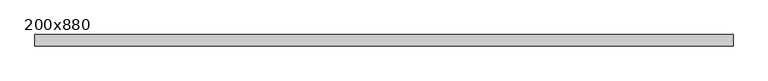
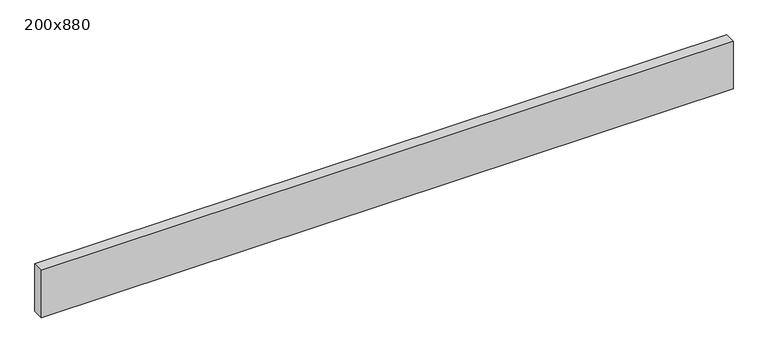
"""IFC4 building model written with IfcOpenShell, lengths in millimetres: beam geometry, 200x880."""

from ifc_helpers import new_model, si_unit, frame, origin, place, context, project, spatial, polyline, outline, extrude, source, transform, mapped, element, save


def beam_200x880_8565c473(model_context):
    return source(origin(), model_context, "Body", "SweptSolid", [
        extrude(outline(polyline([(6108.3603644, 100.0), (6108.3603644, -100.0), (-6009.4539939, -100.0), (-6009.4539939, 100.0), (6108.3603644, 100.0)])), frame((0.0, 0.0, -440.0), z_axis=(0.0, 0.0, 1.0), x_axis=(1.0, 0.0, 0.0)), (0.0, 0.0, 1.0), 880.0),
    ])


if __name__ == "__main__":
    model = new_model("IFC4")
    model_context = context("Model", 3, world=origin())
    ifc_project = project(units=[si_unit("LENGTHUNIT", "METRE", prefix="MILLI")], contexts=[model_context])
    site = spatial("IfcSite", under=ifc_project)
    building = spatial("IfcBuilding", under=site)
    placement = place(None, origin())
    beam_200x880_shape = beam_200x880_8565c473(model_context)
    element("IfcBeam", 1, ObjectType="200x880", at=placement, inside=building, context=model_context, shape_type="MappedRepresentation", body=[
        mapped(beam_200x880_shape, transform((0.0, 0.0, 0.0), x_axis=(1.0, 0.0, 0.0), y_axis=(0.0, 1.0, 0.0), z_axis=(0.0, 0.0, 1.0))),
    ])
    save(model, "model.ifc")
